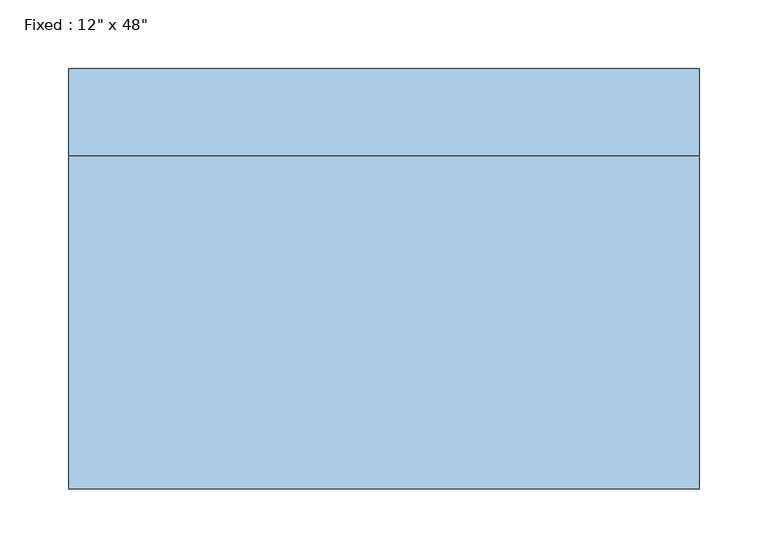
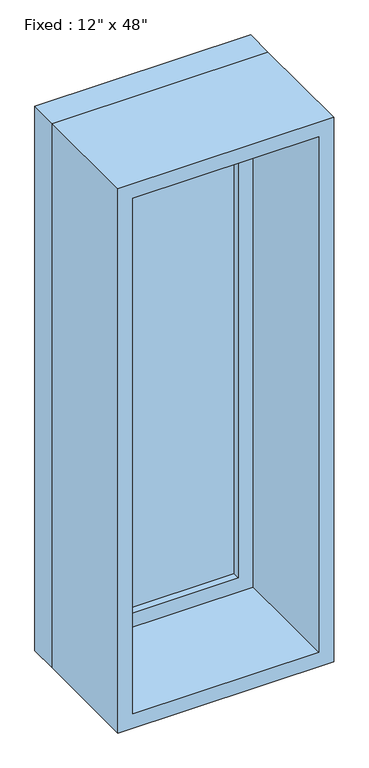
"""IFC4 building model written with IfcOpenShell, lengths in millimetres: window geometry."""

from ifc_helpers import new_model, si_unit, frame, origin, place, context, project, spatial, polyline, outline, extrude, source, transform, mapped, element, save


def window_2b78ec5f(model_context):
    return source(origin(), model_context, "Body", "SweptSolid", [
        extrude(outline(polyline([(127.0, 104.775), (-203.2, 104.775), (-203.2, 117.475), (127.0, 117.475), (127.0, 104.775)])), frame((0.0, 0.0, 977.9), z_axis=(0.0, 0.0, 1.0), x_axis=(1.0, 0.0, 0.0)), (0.0, 0.0, 1.0), 1092.2),
        extrude(outline(polyline([(2114.55, -247.65), (933.45, -247.65), (933.45, 171.45), (2114.55, 171.45), (2114.55, -247.65)]), holes=[polyline([(2070.1, -203.2), (2070.1, 127.0), (977.9, 127.0), (977.9, -203.2), (2070.1, -203.2)])]), frame((0.0, 88.9, 0.0), z_axis=(0.0, 1.0, 0.0), x_axis=(0.0, 0.0, 1.0)), (0.0, 0.0, 1.0), 44.45),
        extrude(outline(polyline([(2133.6, -266.7), (914.4, -266.7), (914.4, 190.5), (2133.6, 190.5), (2133.6, -266.7)]), holes=[polyline([(2101.85, -234.95), (2101.85, 158.75), (946.15, 158.75), (946.15, -234.95), (2101.85, -234.95)])]), frame((0.0, -152.4, 0.0), z_axis=(0.0, 1.0, 0.0), x_axis=(0.0, 0.0, 1.0)), (0.0, 0.0, 1.0), 241.3),
        extrude(outline(polyline([(2133.6, 190.5), (2133.6, -266.7), (914.4, -266.7), (914.4, 190.5), (2133.6, 190.5)]), holes=[polyline([(2114.55, 171.45), (933.45, 171.45), (933.45, -247.65), (2114.55, -247.65), (2114.55, 171.45)])]), frame((0.0, 88.9, 0.0), z_axis=(0.0, 1.0, 0.0), x_axis=(0.0, 0.0, 1.0)), (0.0, 0.0, 1.0), 63.5),
    ])


if __name__ == "__main__":
    model = new_model("IFC4")
    model_context = context("Model", 3, world=origin())
    ifc_project = project(units=[si_unit("LENGTHUNIT", "METRE", prefix="MILLI")], contexts=[model_context])
    site = spatial("IfcSite", under=ifc_project)
    building = spatial("IfcBuilding", under=site)
    placement = place(None, origin())
    window_shape = window_2b78ec5f(model_context)
    element("IfcWindow", 1, ObjectType="Fixed : 12\" x 48\"", at=placement, inside=building, context=model_context, shape_type="MappedRepresentation", body=[
        mapped(window_shape, transform((0.0, 0.0, 0.0), x_axis=(1.0, 0.0, 0.0), y_axis=(0.0, 1.0, 0.0), z_axis=(0.0, 0.0, 1.0))),
    ])
    save(model, "model.ifc")
